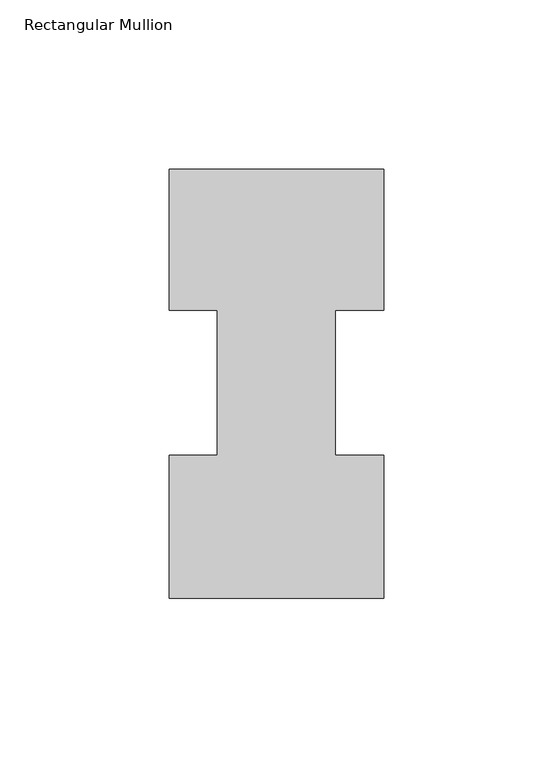
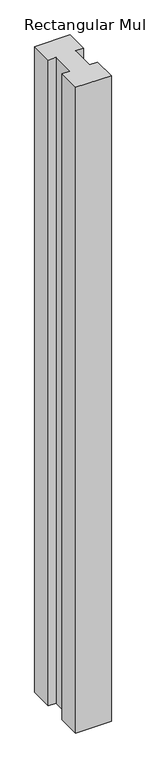
"""IFC4 building model written with IfcOpenShell, lengths in millimetres: member geometry, Rectangular Mullion."""

from ifc_helpers import new_model, si_unit, frame, origin, place, context, project, spatial, polyline, outline, extrude, source, transform, mapped, element, save


def rectangular_mullion_8bafd03d(model_context):
    return source(origin(), model_context, "Body", "SweptSolid", [
        extrude(outline(polyline([(17.4683074, 85.1296875), (17.4683074, 42.2798875), (31.7494574, 42.2798875), (31.7494574, -0.0111125), (-31.75, -0.0111125), (-31.75, 42.2798875), (-17.4644974, 42.2798875), (-17.4644974, 85.1296875), (-31.75, 85.1296875), (-31.75, 126.9888875), (31.75, 126.9888875), (31.75, 85.1296875), (17.4683074, 85.1296875)])), frame((0.0, 0.0, -1219.2), z_axis=(0.0, 0.0, 1.0), x_axis=(1.0, 0.0, 0.0)), (0.0, 0.0, 1.0), 1219.2),
    ])


if __name__ == "__main__":
    model = new_model("IFC4")
    model_context = context("Model", 3, world=origin())
    ifc_project = project(units=[si_unit("LENGTHUNIT", "METRE", prefix="MILLI")], contexts=[model_context])
    site = spatial("IfcSite", under=ifc_project)
    building = spatial("IfcBuilding", under=site)
    placement = place(None, origin())
    rectangular_mullion_shape = rectangular_mullion_8bafd03d(model_context)
    element("IfcMember", 1, ObjectType="Rectangular Mullion", at=placement, inside=building, context=model_context, shape_type="MappedRepresentation", body=[
        mapped(rectangular_mullion_shape, transform((0.0, 0.0, 0.0), x_axis=(1.0, 0.0, 0.0), y_axis=(0.0, 1.0, 0.0), z_axis=(0.0, 0.0, 1.0))),
    ])
    save(model, "model.ifc")
